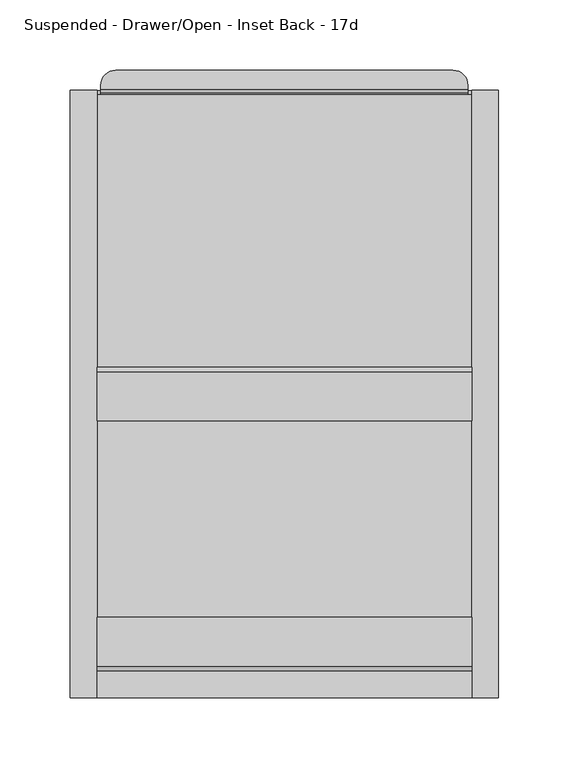
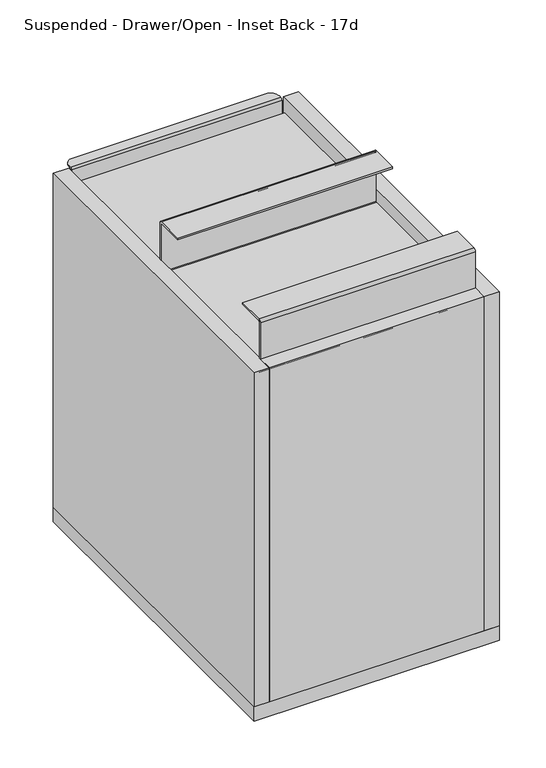
"""IFC4 building model written with IfcOpenShell, lengths in millimetres: furniture geometry, Suspended - Drawer/Open - Inset Back - 17d."""

from ifc_helpers import new_model, si_unit, point, frame, frame_2d, origin, place, context, project, spatial, polyline, circle_curve, ellipse_curve, trimmed, segment, composite_curve, outline, extrude, source, transform, mapped, element, save
from ifc_brep_helpers import plane_surface, cylinder_surface, revolved_surface, advanced_brep


def suspended_drawer_open_inset_back_17d_de08dba2(model_context):
    return source(origin(), model_context, "Body", "SolidModel", [
        advanced_brep(
        [(-287.4310303, 508.8580872, 657.225), (-287.4310303, 511.8582916, 657.225), (-287.4310303, 511.8582916, 655.7009651), (-287.4310303, 508.7552772, 655.7009651), (-287.4310303, 508.0, 654.9456879), (-287.4310303, 508.0, 552.45), (-287.4310303, 506.4768372, 552.45), (-287.4310303, 506.4768372, 563.661743), (-287.4310303, 176.276062, 563.661743), (-287.4310303, 176.276062, 565.1500242), (-287.4310303, 506.4768372, 565.1500242), (-287.4310303, 506.4768372, 654.84375), (-26.2872803, 508.7552772, 655.7009651), (-26.2872803, 511.8582916, 655.7009651), (-26.2872803, 511.8582916, 657.225), (-26.2872803, 508.8580872, 657.225), (-26.2872803, 506.4768372, 654.84375), (-26.2872803, 506.4768372, 565.1500242), (-26.2872803, 176.276062, 565.1500242), (-26.2872803, 176.276062, 563.661743), (-26.2872803, 506.4768372, 563.661743), (-26.2872803, 506.4768372, 552.45), (-26.2872803, 508.0, 552.45), (-26.2872803, 508.0, 654.9456879), (-36.7804383, 522.3514496, 657.225), (-276.9378724, 522.3514496, 657.225), (-276.9378724, 522.3514496, 655.7009651), (-36.7804383, 522.3514496, 655.7009651)],
        [
            (0, 1),
            (1, 2),
            (2, 3),
            (3, 4, circle_curve(frame((-287.4310303, 508.7552772, 654.9456879), z_axis=(1.0, 0.0, 0.0), x_axis=(0.0, -1.0, 0.0)), 0.7552772)),
            (4, 5),
            (5, 6),
            (6, 7),
            (7, 8),
            (8, 9),
            (9, 10),
            (10, 11),
            (11, 0, circle_curve(frame((-287.4310303, 508.8580872, 654.84375), z_axis=(-1.0, 0.0, 0.0), x_axis=(0.0, -1.0, 0.0)), 2.38125)),
            (12, 13),
            (13, 14),
            (14, 15),
            (15, 16, circle_curve(frame((-26.2872803, 508.8580872, 654.84375), z_axis=(1.0, 0.0, 0.0), x_axis=(0.0, -1.0, 0.0)), 2.38125)),
            (16, 17),
            (17, 18),
            (18, 19),
            (19, 20),
            (20, 21),
            (21, 22),
            (22, 23),
            (23, 12, circle_curve(frame((-26.2872803, 508.7552772, 654.9456879), z_axis=(-1.0, 0.0, 0.0), x_axis=(0.0, -1.0, 0.0)), 0.7552772)),
            (14, 24, circle_curve(frame((-36.7804383, 511.8582916, 657.225), z_axis=(0.0, 0.0, 1.0), x_axis=(-1.0, 0.0, 0.0)), 10.493158)),
            (24, 25),
            (25, 1, circle_curve(frame((-276.9378724, 511.8582916, 657.225), z_axis=(0.0, 0.0, 1.0), x_axis=(-1.0, 0.0, 0.0)), 10.493158)),
            (0, 15),
            (11, 16),
            (10, 17),
            (9, 18),
            (8, 19),
            (7, 20),
            (6, 21),
            (5, 22),
            (4, 23),
            (3, 12),
            (2, 26, circle_curve(frame((-276.9378724, 511.8582916, 655.7009651), z_axis=(0.0, 0.0, -1.0), x_axis=(-1.0, 0.0, 0.0)), 10.493158)),
            (26, 27),
            (27, 13, circle_curve(frame((-36.7804383, 511.8582916, 655.7009651), z_axis=(0.0, 0.0, -1.0), x_axis=(-1.0, 0.0, 0.0)), 10.493158)),
            (24, 27),
            (26, 25),
        ],
        [
            plane_surface(frame((-287.4310303, 508.0, 657.225), z_axis=(-1.0, 0.0, 0.0), x_axis=(0.0, 0.0, 1.0))),
            plane_surface(frame((-26.2872803, 508.0, 657.225), z_axis=(1.0, 0.0, 0.0), x_axis=(0.0, 0.0, 1.0))),
            plane_surface(frame((-287.4310303, 522.3514496, 657.225), z_axis=(0.0, 0.0, 1.0), x_axis=(1.0, 0.0, 0.0))),
            cylinder_surface(frame((-287.4310303, 508.8580872, 654.84375), z_axis=(-1.0, 0.0, 0.0), x_axis=(0.0, -1.0, 0.0)), 2.38125),
            plane_surface(frame((-287.4310303, 506.4768372, 654.84375), z_axis=(0.0, -1.0, 0.0), x_axis=(1.0, 0.0, 0.0))),
            plane_surface(frame((-287.4310303, 506.4768372, 565.1500242), z_axis=(0.0, 0.0, 1.0), x_axis=(1.0, 0.0, 0.0))),
            plane_surface(frame((-287.4310303, 176.276062, 565.1500242), z_axis=(0.0, -1.0, 0.0), x_axis=(1.0, 0.0, 0.0))),
            plane_surface(frame((-287.4310303, 176.276062, 563.661743), z_axis=(0.0, 0.0, -1.0), x_axis=(1.0, 0.0, 0.0))),
            plane_surface(frame((-287.4310303, 506.4768372, 563.661743), z_axis=(0.0, -1.0, 0.0), x_axis=(1.0, 0.0, 0.0))),
            plane_surface(frame((-287.4310303, 506.4768372, 552.45), z_axis=(0.0, 0.0, -1.0), x_axis=(1.0, 0.0, 0.0))),
            plane_surface(frame((-287.4310303, 508.0, 552.45), z_axis=(0.0, 1.0, 0.0), x_axis=(1.0, 0.0, 0.0))),
            revolved_surface(polyline([(-26.28728030000002, 508.0, 654.9456879), (-287.4310303, 508.0, 654.9456879)]), (-287.4310303, 508.7552772, 654.9456879), (1.0, 0.0, 0.0)),
            plane_surface(frame((-287.4310303, 508.7552772, 655.7009651), z_axis=(0.0, 0.0, -1.0), x_axis=(1.0, 0.0, 0.0))),
            plane_surface(frame((-287.4310303, 522.3514496, 655.7009651), z_axis=(0.0, 1.0, 0.0), x_axis=(1.0, 0.0, 0.0))),
            cylinder_surface(frame((-36.7804383, 511.8582916, 582.215625), z_axis=(0.0, 0.0, -1.0), x_axis=(-1.0, 0.0, 0.0)), 10.493158),
            cylinder_surface(frame((-276.9378724, 511.8582916, 657.225), z_axis=(0.0, 0.0, -1.0), x_axis=(-1.0, 0.0, 0.0)), 10.493158),
        ],
        [
            (0, [[1, 2, 3, 4, 5, 6, 7, 8, 9, 10, 11, 12]]),
            (1, [[13, 14, 15, 16, 17, 18, 19, 20, 21, 22, 23, 24]]),
            (2, [[-15, 25, 26, 27, -1, 28]]),
            (3, [[29, -16, -28, -12]]),
            (4, [[30, -17, -29, -11]]),
            (5, [[31, -18, -30, -10]]),
            (6, [[32, -19, -31, -9]]),
            (7, [[33, -20, -32, -8]]),
            (8, [[34, -21, -33, -7]]),
            (9, [[35, -22, -34, -6]]),
            (10, [[36, -23, -35, -5]]),
            (11, [[37, -24, -36, -4]]),
            (12, [[-3, 38, 39, 40, -13, -37]]),
            (13, [[41, -39, 42, -26]]),
            (14, [[-40, -41, -25, -14]]),
            (15, [[-27, -42, -38, -2]]),
        ],
    ),
        advanced_brep(
        [(-66.3732056, 511.1742249, 582.215625), (-58.4341553, 511.1742249, 582.215625), (-50.495105, 511.1742249, 582.215625), (-69.5474305, 508.0, 582.215625), (-47.3208802, 508.0, 582.215625), (-58.4341553, 508.0, 582.215625)],
        [
            (0, 1),
            (1, 2),
            (2, 0, circle_curve(frame((-58.4341553, 511.1742249, 582.215625), z_axis=(0.0, 1.0, 0.0), x_axis=(1.0, 0.0, 0.0)), 7.9390503)),
            (0, 2, circle_curve(frame((-58.4341553, 511.1742249, 582.215625), z_axis=(0.0, 1.0, 0.0), x_axis=(1.0, 0.0, 0.0)), 7.9390503)),
            (3, 0, circle_curve(frame((-66.3732056, 508.0, 582.215625), z_axis=(0.0, 0.0, -1.0), x_axis=(1.0, 0.0, 0.0)), 3.1742249)),
            (2, 4, circle_curve(frame((-50.495105, 508.0, 582.215625), z_axis=(0.0, 0.0, -1.0), x_axis=(-1.0, 0.0, 0.0)), 3.1742249)),
            (4, 3, circle_curve(frame((-58.4341553, 508.0, 582.215625), z_axis=(0.0, 1.0, 0.0), x_axis=(1.0, 0.0, 0.0)), 11.1132751)),
            (3, 4, circle_curve(frame((-58.4341553, 508.0, 582.215625), z_axis=(0.0, 1.0, 0.0), x_axis=(1.0, 0.0, 0.0)), 11.1132751)),
            (5, 3),
            (4, 5),
        ],
        [
            plane_surface(frame((-58.4341553, 511.1742249, 582.215625), z_axis=(0.0, 1.0, 0.0), x_axis=(1.0, 0.0, 0.0))),
            revolved_surface(trimmed(ellipse_curve(frame((-50.495105, 508.0, 582.215625), z_axis=(0.0, 0.0, -1.0), x_axis=(-1.0, 0.0, 0.0)), 3.1742249, 3.1742249), [point((-50.495105, 511.1742249, 582.215625))], [point((-47.3208802, 508.0, 582.215625))], True, "CARTESIAN"), (-58.4341553, 497.186308, 582.215625), (0.0, -1.0, 0.0)),
            plane_surface(frame((-58.4341553, 508.0, 582.215625), z_axis=(0.0, -1.0, 0.0), x_axis=(1.0, 0.0, 0.0))),
        ],
        [
            (0, [[1, 2, 3]]),
            (0, [[-2, -1, 4]]),
            (1, [[5, -3, 6, 7]]),
            (1, [[-6, -4, -5, 8]]),
            (2, [[9, -7, 10]]),
            (2, [[-10, -8, -9]]),
        ],
    ),
        extrude(outline(composite_curve([segment(polyline([(98.3060119, 640.4609797), (308.1153615, 640.4609797)]), True, "CONTINUOUS"), segment(trimmed(circle_curve(frame_2d((308.1153615, 641.2099049)), 0.7489253), [point((308.1153615, 640.4609797))], [point((308.8642868, 641.2099049))], True, "CARTESIAN"), True, "CONTINUOUS"), segment(polyline([(308.8642868, 641.2099049), (308.8642868, 704.9460057)]), True, "CONTINUOUS"), segment(trimmed(circle_curve(frame_2d((308.0633753, 704.9460057)), 0.8009115), [point((308.8642868, 704.9460057))], [point((308.0633753, 705.7469172))], True, "CARTESIAN"), True, "CONTINUOUS"), segment(polyline([(308.0633753, 705.7469172), (273.0501938, 705.7469172), (273.0501938, 708.0328968), (308.0104149, 708.0328968)]), True, "CONTINUOUS"), segment(trimmed(circle_curve(frame_2d((308.0104149, 704.893118)), 3.1397788), [point((308.0104149, 708.0328968))], [point((311.1501938, 704.893118))], False, "CARTESIAN"), True, "CONTINUOUS"), segment(polyline([(311.1501938, 704.893118), (311.1501938, 641.3169686)]), True, "CONTINUOUS"), segment(trimmed(circle_curve(frame_2d((308.0082252, 641.3169686)), 3.1419686), [point((311.1501938, 641.3169686))], [point((308.0082252, 638.175))], False, "CARTESIAN"), True, "CONTINUOUS"), segment(polyline([(308.0082252, 638.175), (98.425, 638.175)]), True, "CONTINUOUS"), segment(trimmed(circle_curve(frame_2d((98.425, 641.35)), 3.175), [point((98.425, 638.175))], [point((95.25, 641.35))], False, "CARTESIAN"), True, "CONTINUOUS"), segment(polyline([(95.25, 641.35), (95.25, 704.8446246)]), True, "CONTINUOUS"), segment(trimmed(circle_curve(frame_2d((98.4382722, 704.8446246)), 3.1882722), [point((95.25, 704.8446246))], [point((98.4382722, 708.0328968))], False, "CARTESIAN"), True, "CONTINUOUS"), segment(polyline([(98.4382722, 708.0328968), (133.35, 708.0328968), (133.35, 705.7469172), (98.3228479, 705.7469172)]), True, "CONTINUOUS"), segment(trimmed(circle_curve(frame_2d((98.3228479, 704.9599763)), 0.7869409), [point((98.3228479, 705.7469172))], [point((97.535907, 704.9599763))], True, "CARTESIAN"), True, "CONTINUOUS"), segment(polyline([(97.535907, 704.9599763), (97.535907, 641.2310846)]), True, "CONTINUOUS"), segment(trimmed(circle_curve(frame_2d((98.3060119, 641.2310846)), 0.7701049), [point((97.535907, 641.2310846))], [point((98.3060119, 640.4609797))], True, "CARTESIAN"), True, "CONTINUOUS")], self_intersect=False)), frame((-290.2091553, 0.0, 0.0), z_axis=(1.0, 0.0, 0.0), x_axis=(0.0, 1.0, 0.0)), (0.0, 0.0, 1.0), 266.7),
        extrude(outline(polyline([(-23.5091553, 95.25), (-290.2091553, 95.25), (-290.2091553, 504.825), (-23.5091553, 504.825), (-23.5091553, 95.25)])), frame((0.0, 0.0, 619.125), z_axis=(0.0, 0.0, 1.0), x_axis=(1.0, 0.0, 0.0)), (0.0, 0.0, 1.0), 19.05),
        extrude(outline(polyline([(-23.5091553, 95.25), (-23.5091553, 76.2), (-290.2091553, 76.2), (-290.2091553, 95.25), (-23.5091553, 95.25)])), frame((0.0, 0.0, 219.075), z_axis=(0.0, 0.0, 1.0), x_axis=(1.0, 0.0, 0.0)), (0.0, 0.0, 1.0), 438.15),
        extrude(outline(polyline([(-4.4591553, 76.2), (-23.5091553, 76.2), (-23.5091553, 508.0), (-4.4591553, 508.0), (-4.4591553, 76.2)])), frame((0.0, 0.0, 219.075), z_axis=(0.0, 0.0, 1.0), x_axis=(1.0, 0.0, 0.0)), (0.0, 0.0, 1.0), 438.15),
        extrude(outline(polyline([(-309.2591553, 508.0), (-290.2091553, 508.0), (-290.2091553, 76.2), (-309.2591553, 76.2), (-309.2591553, 508.0)])), frame((0.0, 0.0, 219.075), z_axis=(0.0, 0.0, 1.0), x_axis=(1.0, 0.0, 0.0)), (0.0, 0.0, 1.0), 438.15),
        extrude(outline(polyline([(-4.4591553, 76.2), (-309.2591553, 76.2), (-309.2591553, 508.0), (-4.4591553, 508.0), (-4.4591553, 76.2)])), frame((0.0, 0.0, 200.025), z_axis=(0.0, 0.0, 1.0), x_axis=(1.0, 0.0, 0.0)), (0.0, 0.0, 1.0), 19.05),
    ])


if __name__ == "__main__":
    model = new_model("IFC4")
    model_context = context("Model", 3, world=origin())
    ifc_project = project(units=[si_unit("LENGTHUNIT", "METRE", prefix="MILLI")], contexts=[model_context])
    site = spatial("IfcSite", under=ifc_project)
    building = spatial("IfcBuilding", under=site)
    placement = place(None, origin())
    suspended_drawer_open_inset_back_17d_shape = suspended_drawer_open_inset_back_17d_de08dba2(model_context)
    element("IfcFurniture", 1, ObjectType="Suspended - Drawer/Open - Inset Back - 17d", at=placement, inside=building, context=model_context, shape_type="MappedRepresentation", body=[
        mapped(suspended_drawer_open_inset_back_17d_shape, transform((0.0, 0.0, 0.0), x_axis=(1.0, 0.0, 0.0), y_axis=(0.0, 1.0, 0.0), z_axis=(0.0, 0.0, 1.0))),
    ])
    save(model, "model.ifc")
